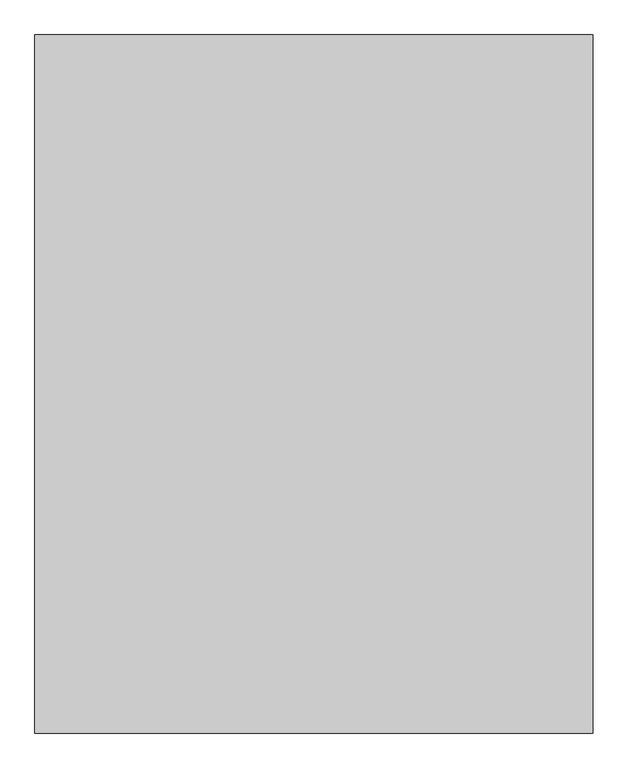
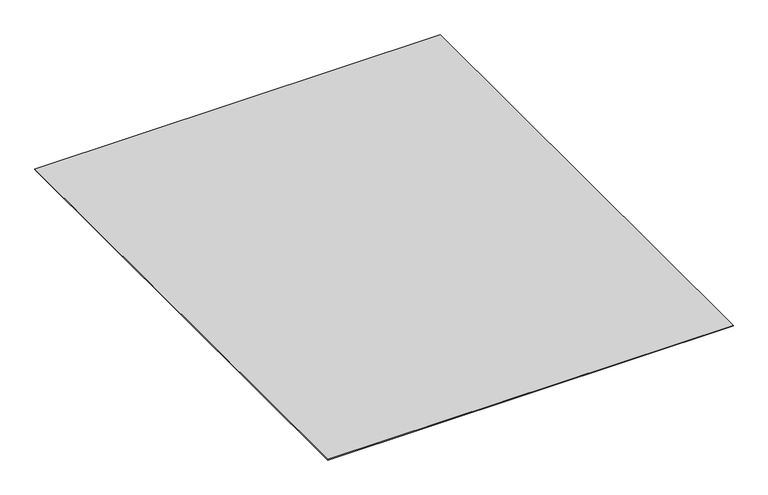
"""IFC4 building model written with IfcOpenShell, lengths in millimetres: proxy geometry."""

from ifc_helpers import new_model, si_unit, origin, origin_with_axes, place, context, project, spatial, polyline, outline, extrude, source, transform, mapped, element, save


def generic_models_20461021(model_context):
    return source(origin(), model_context, "Body", "SweptSolid", [
        extrude(outline(polyline([(6000.0, -7500.0), (0.0, -7500.0), (0.0, 0.0), (6000.0, 0.0), (6000.0, -7500.0)])), origin_with_axes(), (0.0, 0.0, 1.0), 10.0),
    ])


if __name__ == "__main__":
    model = new_model("IFC4")
    model_context = context("Model", 3, world=origin())
    ifc_project = project(units=[si_unit("LENGTHUNIT", "METRE", prefix="MILLI")], contexts=[model_context])
    site = spatial("IfcSite", under=ifc_project)
    building = spatial("IfcBuilding", under=site)
    placement = place(None, origin())
    generic_models_shape = generic_models_20461021(model_context)
    element("IfcBuildingElementProxy", 1, Name="Generic Models", at=placement, inside=building, context=model_context, shape_type="MappedRepresentation", body=[
        mapped(generic_models_shape, transform((0.0, 0.0, 0.0), x_axis=(1.0, 0.0, 0.0), y_axis=(0.0, 1.0, 0.0), z_axis=(0.0, 0.0, 1.0))),
    ])
    save(model, "model.ifc")
